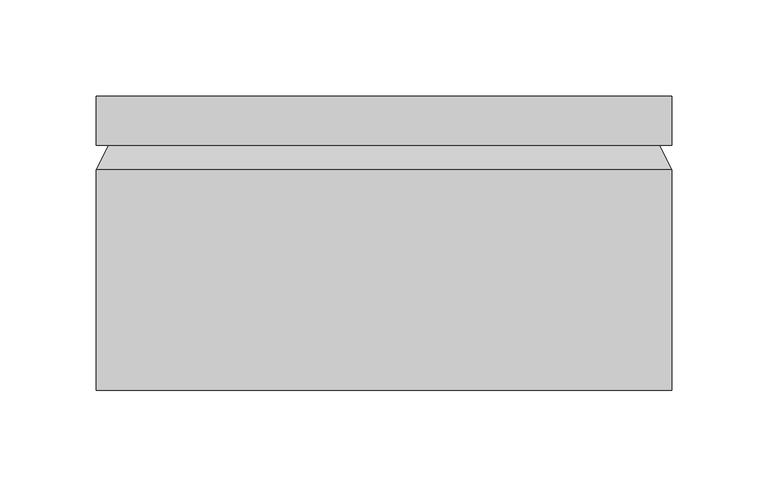
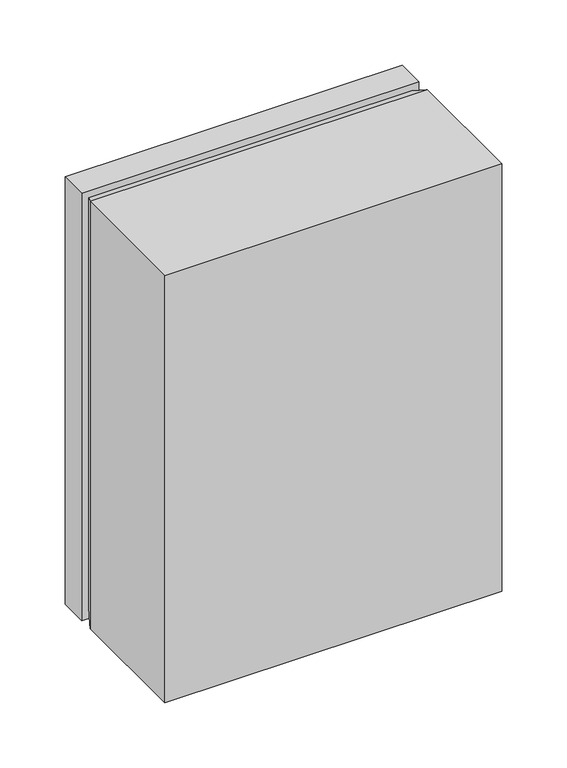
"""IFC4 building model written with IfcOpenShell, lengths in millimetres: proxy geometry."""

import ifcopenshell
import ifcopenshell.guid

model = None  # the IFC model being written
_history = None  # IfcOwnerHistory: only IFC2X3 demands one
_inside = {}  # id of a spatial element -> (the spatial element, [elements in it])
_under = {}  # id of a project, library or spatial element -> (it, [spatial elements below it])
_declared = {}  # id of a project -> (the project, [libraries it declares])
_typed = {}  # id of a type object -> (the type object, [elements of that type])
_made_of = {}  # id of a material, layer set ... -> (it, [elements and type objects made of it])


def new_model(schema):
    """Start an empty IFC model of exactly this schema.

    Asked for "IFC4X3", IfcOpenShell would pick the latest addendum, in which some entities
    have other attributes; the version numbers below select the first issue.
    IFC2X3 requires an IfcOwnerHistory on every rooted entity: one is made here for all.
    """
    global model, _history
    if schema == "IFC4X3":
        model = ifcopenshell.file(schema_version=(4, 3, 0, 0))
    else:
        model = ifcopenshell.file(schema=schema)
    _inside.clear()
    _under.clear()
    _declared.clear()
    _typed.clear()
    _made_of.clear()
    _history = None
    if model.schema == "IFC2X3":
        org = make("IfcOrganization", Name="unknown")
        user = make(
            "IfcPersonAndOrganization",
            ThePerson=make("IfcPerson", FamilyName="unknown"),
            TheOrganization=org,
        )
        app = make(
            "IfcApplication",
            ApplicationDeveloper=org,
            Version="unknown",
            ApplicationFullName="unknown",
            ApplicationIdentifier="unknown",
        )
        _history = make(
            "IfcOwnerHistory",
            OwningUser=user,
            OwningApplication=app,
            ChangeAction="ADDED",
            CreationDate=0,
        )
    return model


def make(cls, **values):
    """One entity of the class cls with the attributes given. An attribute that is None is left unset."""
    return model.create_entity(
        cls, **{name: value for name, value in values.items() if value is not None}
    )


def rooted(cls, **values):
    """An entity with a GlobalId (a new one), such as an element, a storey or a relation."""
    return make(cls, GlobalId=ifcopenshell.guid.new(), OwnerHistory=_history, **values)


def si_unit(unit_type, name, prefix=None):
    """IfcSIUnit, for example si_unit("LENGTHUNIT", "METRE", prefix="MILLI")."""
    return make("IfcSIUnit", UnitType=unit_type, Prefix=prefix, Name=name)


def assignment(units):
    """IfcUnitAssignment: the units of a project."""
    return None if units is None else make("IfcUnitAssignment", Units=units)


def point(xyz):
    """IfcCartesianPoint."""
    return None if xyz is None else make("IfcCartesianPoint", Coordinates=xyz)


def direction(xyz):
    """IfcDirection."""
    return None if xyz is None else make("IfcDirection", DirectionRatios=xyz)


def frame(location, z_axis=None, x_axis=None):
    """IfcAxis2Placement3D, a coordinate frame: its origin and axes. An axis left out is left unset."""
    return make(
        "IfcAxis2Placement3D",
        Location=point(location),
        Axis=direction(z_axis),
        RefDirection=direction(x_axis),
    )


def origin():
    """The frame at (0, 0, 0) with its axes left unset."""
    return frame((0.0, 0.0, 0.0))


def place(relative_to, where):
    """IfcLocalPlacement: puts the frame where relative to a parent placement (None: the world)."""
    return make(
        "IfcLocalPlacement", PlacementRelTo=relative_to, RelativePlacement=where
    )


def context(
    kind, dimensions, precision=None, world=None, true_north=None, identifier=None
):
    """IfcGeometricRepresentationContext, for example the 3D "Model" context."""
    return make(
        "IfcGeometricRepresentationContext",
        ContextIdentifier=identifier,
        ContextType=kind,
        CoordinateSpaceDimension=dimensions,
        Precision=precision,
        WorldCoordinateSystem=world,
        TrueNorth=true_north,
    )


def project(units=None, contexts=None):
    """IfcProject with its units and contexts."""
    return rooted(
        "IfcProject",
        Name="project",
        RepresentationContexts=contexts,
        UnitsInContext=assignment(units),
    )


def spatial(cls, under=None, at=None, **own):
    """A site, building, storey or space (cls), placed at a placement, below another one or the project."""
    s = rooted(cls, ObjectPlacement=at, **own)
    if under is not None:
        _under.setdefault(under.id(), (under, []))[1].append(s)
    return s


def faces_of(points, faces, orient=None, outer=None):
    """IfcFace entities. A face is a list of loops; a loop is a list of indices into points, from 0.

    orient and outer hold one flag for each loop. By default every Orientation is true, the
    first loop of a face is its IfcFaceOuterBound and the others are IfcFaceBound.
    """
    made = []
    for i, loops in enumerate(faces):
        bounds = []
        for j, loop in enumerate(loops):
            is_outer = j == 0 if outer is None else outer[i][j]
            bounds.append(
                make(
                    "IfcFaceOuterBound" if is_outer else "IfcFaceBound",
                    Bound=make("IfcPolyLoop", Polygon=[points[k] for k in loop]),
                    Orientation=True if orient is None else orient[i][j],
                )
            )
        made.append(make("IfcFace", Bounds=bounds))
    return made


def faceted_brep(points, faces, orient=None, outer=None, voids=None):
    """IfcFacetedBrep: a solid bounded by flat faces; with voids (closed shells), ...WithVoids."""
    shared = [point(p) for p in points]
    hull = make("IfcClosedShell", CfsFaces=faces_of(shared, faces, orient, outer))
    if voids is None:
        return make("IfcFacetedBrep", Outer=hull)
    return make(
        "IfcFacetedBrepWithVoids",
        Outer=hull,
        Voids=[
            make(cls, CfsFaces=faces_of(shared, fs, o, b)) for cls, fs, o, b in voids
        ],
    )


def shape(context_of_items, identifier, shape_type, items):
    """IfcShapeRepresentation: the items that make up one representation, for example the "Body"."""
    return make(
        "IfcShapeRepresentation",
        ContextOfItems=context_of_items,
        RepresentationIdentifier=identifier,
        RepresentationType=shape_type,
        Items=items,
    )


def source(mapping_origin, context_of_items, identifier, shape_type, items):
    """IfcRepresentationMap: a shape defined once, which mapped items show again and again."""
    return make(
        "IfcRepresentationMap",
        MappingOrigin=mapping_origin,
        MappedRepresentation=shape(context_of_items, identifier, shape_type, items),
    )


def transform(
    local_origin,
    x_axis=None,
    y_axis=None,
    z_axis=None,
    scale=None,
    scale2=None,
    scale3=None,
    uniform=True,
):
    """IfcCartesianTransformationOperator3D, or its non-uniform kind. x_axis, y_axis, z_axis: its Axis1, 2, 3."""
    if uniform:
        return make(
            "IfcCartesianTransformationOperator3D",
            Axis1=direction(x_axis),
            Axis2=direction(y_axis),
            LocalOrigin=point(local_origin),
            Scale=scale,
            Axis3=direction(z_axis),
        )
    return make(
        "IfcCartesianTransformationOperator3DnonUniform",
        Axis1=direction(x_axis),
        Axis2=direction(y_axis),
        LocalOrigin=point(local_origin),
        Scale=scale,
        Axis3=direction(z_axis),
        Scale2=scale2,
        Scale3=scale3,
    )


def mapped(mapping_source, mapping_target):
    """IfcMappedItem: shows the shape of a source again, moved by a transform."""
    return make(
        "IfcMappedItem", MappingSource=mapping_source, MappingTarget=mapping_target
    )


def made_of(thing, what):
    """Note that an element or type object is made of a material, layer set ...; save() writes the relation."""
    if what is not None:
        _made_of.setdefault(what.id(), (what, []))[1].append(thing)
    return thing


def element(
    cls,
    number,
    at=None,
    inside=None,
    cuts=None,
    type_object=None,
    material=None,
    context=None,
    identifier="Body",
    shape_type=None,
    held_by="IfcProductDefinitionShape",
    body=None,
    shapes=None,
    **own,
):
    """One element of the class cls, such as IfcWall. Its Tag is "e" and its number.

    at: its placement. inside: the storey or other place that contains it. cuts: it is an
    opening in that element (IfcRelVoidsElement). A single representation is given by context,
    identifier, shape_type and body (its items); several are given by shapes. held_by: the class
    of the entity that holds the representations. save() writes the other relations.
    """
    e = rooted(cls, Tag="e%d" % number, ObjectPlacement=at, **own)
    if body is not None:
        shapes = [shape(context, identifier, shape_type, body)]
    if shapes is not None:
        e.Representation = make(held_by, Representations=shapes)
    if inside is not None:
        _inside.setdefault(inside.id(), (inside, []))[1].append(e)
    if cuts is not None:
        rooted(
            "IfcRelVoidsElement", RelatingBuildingElement=cuts, RelatedOpeningElement=e
        )
    if type_object is not None:
        _typed.setdefault(type_object.id(), (type_object, []))[1].append(e)
    return made_of(e, material)


def aggregate(whole, parts):
    """IfcRelAggregates: a whole, such as a stair, and the parts it consists of."""
    return rooted("IfcRelAggregates", RelatingObject=whole, RelatedObjects=parts)


def save(model, path):
    """Write the relations noted so far, then the file.

    IfcRelAggregates (storeys below a building ...), IfcRelContainedInSpatialStructure (elements
    in a storey), IfcRelDefinesByType, IfcRelAssociatesMaterial and IfcRelDeclares: one each for
    every whole, place, type object, material and project.
    """
    for whole, parts in _under.values():
        aggregate(whole, parts)
    for where, things in _inside.values():
        rooted(
            "IfcRelContainedInSpatialStructure",
            RelatedElements=things,
            RelatingStructure=where,
        )
    for kind, things in _typed.values():
        rooted("IfcRelDefinesByType", RelatedObjects=things, RelatingType=kind)
    for what, things in _made_of.values():
        rooted("IfcRelAssociatesMaterial", RelatedObjects=things, RelatingMaterial=what)
    for by, libraries in _declared.values():
        rooted("IfcRelDeclares", RelatingContext=by, RelatedDefinitions=libraries)
    model.write(path)


def electrical_fixtures_3c5a5159(model_context):
    return source(origin(), model_context, "Body", "Brep", [
        faceted_brep([(-149.225, 254.0, 1950.6071152), (149.225, 254.0, 1950.6071152), (149.225, 254.0, 1550.5571152), (-149.225, 254.0, 1550.5571152), (-149.225, 101.6, 1950.6071152), (-149.225, 101.6, 1550.5571152), (149.225, 101.6, 1550.5571152), (149.225, 101.6, 1950.6071152), (-149.225, 228.6, 1550.5571152), (-149.225, 228.6, 1950.6071152), (-149.225, 215.9, 1950.6071152), (-149.225, 215.9, 1550.5571152), (149.225, 228.6, 1550.5571152), (149.225, 215.9, 1550.5571152), (149.225, 228.6, 1950.6071152), (149.225, 215.9, 1950.6071152), (142.875, 228.6, 1556.9071152), (142.875, 228.6, 1944.2571152), (-142.875, 228.6, 1556.9071152), (-142.875, 228.6, 1944.2571152)], [[[0, 1, 2, 3]], [[4, 5, 6, 7]], [[0, 3, 8, 9]], [[5, 4, 10, 11]], [[3, 2, 12, 8]], [[6, 5, 11, 13]], [[2, 1, 14, 12]], [[7, 6, 13, 15]], [[1, 0, 9, 14]], [[4, 7, 15, 10]], [[13, 16, 17, 15]], [[16, 13, 11, 18]], [[18, 11, 10, 19]], [[15, 17, 19, 10]], [[9, 8, 12, 14], [17, 16, 18, 19]]]),
    ])


if __name__ == "__main__":
    model = new_model("IFC4")
    model_context = context("Model", 3, world=origin())
    ifc_project = project(units=[si_unit("LENGTHUNIT", "METRE", prefix="MILLI")], contexts=[model_context])
    site = spatial("IfcSite", under=ifc_project)
    building = spatial("IfcBuilding", under=site)
    placement = place(None, origin())
    electrical_fixtures_shape = electrical_fixtures_3c5a5159(model_context)
    element("IfcBuildingElementProxy", 1, Name="Electrical Fixtures", at=placement, inside=building, context=model_context, shape_type="MappedRepresentation", body=[
        mapped(electrical_fixtures_shape, transform((0.0, 0.0, 0.0), x_axis=(1.0, 0.0, 0.0), y_axis=(0.0, 1.0, 0.0), z_axis=(0.0, 0.0, 1.0))),
    ])
    save(model, "model.ifc")
